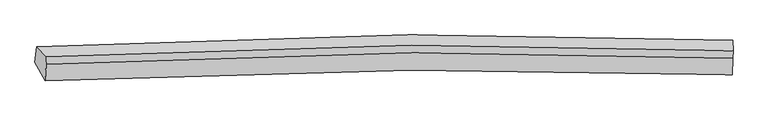
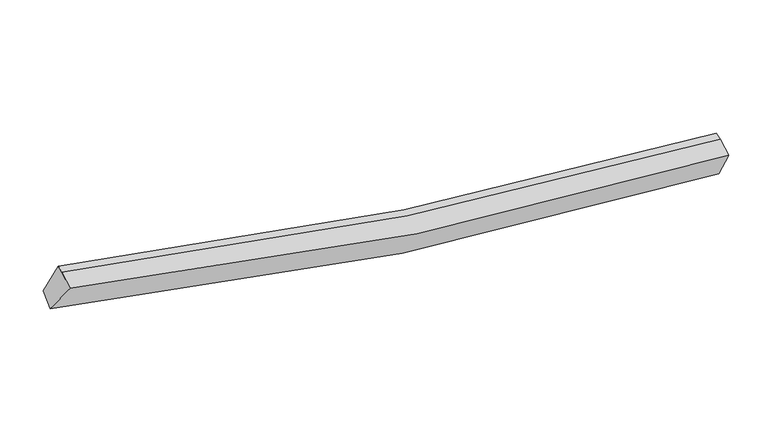
"""IFC4 building model written with IfcOpenShell, lengths in millimetres: proxy geometry."""

from ifc_helpers import new_model, si_unit, frame, origin, place, context, project, spatial, source, transform, mapped, element, save
from ifc_brep_helpers import plane_surface, spline_curve, spline_surface, advanced_brep


def generic_models_070c4dce(model_context):
    return source(origin(), model_context, "Body", "AdvancedBrep", [
        advanced_brep(
        [(-6876.0346906, -2557.5202316, 4451.7046371), (-7087.0439148, -2178.1843797, 3827.862174), (7480.7328589, -2049.1073916, 1744.2399827), (7481.0509288, -2430.9992908, 2401.3232926), (-6851.7852996, -2211.8201058, 4600.3859818), (7495.5722941, -2085.4171827, 2551.5394326), (-6845.7212845, -2059.9907292, 4650.4965407), (7501.6363092, -1933.5878061, 2601.6499915), (-7047.0019297, -1845.9037878, 4026.1946238), (7495.8350751, -1717.1293621, 1946.507192)],
        [
            (0, 1),
            (1, 2, spline_curve(3, [(-7087.0439148, -2178.1843797, 3827.862174), (-4519.912261929, -2044.517809706, 3125.271180736), (-1931.28461769, -1970.214572276, 2599.691666239), (2930.144906614, -1942.388574039, 1950.473782153), (5197.44285433, -1973.666148872, 1781.512566641), (7480.7328589, -2049.1073916, 1744.2399827)], [4, 2, 4], [0.0, 25.806990484276167, 48.06625397323585])),
            (2, 3),
            (3, 0, spline_curve(3, [(7481.0509288, -2430.9992908, 2401.3232926), (5222.616562376, -2356.70868505, 2439.07432828), (2983.72514564, -2325.866171387, 2605.916179472), (-1808.696093635, -2353.086430681, 3244.947863016), (-4355.499883398, -2426.102591147, 3761.566461281), (-6876.0346906, -2557.5202316, 4451.7046371)], [4, 2, 4], [0.0, 22.259263488959686, 48.06625397323585])),
            (4, 0),
            (3, 5),
            (5, 4, spline_curve(3, [(7495.5722941, -2085.4171827, 2551.5394326), (5240.40104977, -2000.368296659, 2605.857049054), (3003.95703332, -1963.741176446, 2781.483855362), (-1784.940786492, -1989.210322746, 3422.682117332), (-4330.949301699, -2067.971750632, 3930.00416057), (-6851.7852996, -2211.8201058, 4600.3859818)], [4, 2, 4], [0.0, 22.073775262683775, 47.66571402735467])),
            (6, 4),
            (5, 7),
            (7, 6, spline_curve(3, [(7501.6363092, -1933.5878061, 2601.6499915), (5246.46506454, -1848.538919997, 2655.96760768), (3010.021048647, -1811.911800037, 2831.594414502), (-1778.876771656, -1837.380945925, 3472.79267617), (-4324.885286323, -1916.142374158, 3980.114719441), (-6845.7212845, -2059.9907292, 4650.4965407)], [4, 2, 4], [0.0, 22.06444388613237, 47.64556402034917])),
            (8, 6),
            (7, 9),
            (9, 8, spline_curve(3, [(7495.8350751, -1717.1293621, 1946.507192), (5216.839132289, -1629.054385234, 1994.539184522), (2953.629524411, -1590.972072079, 2168.995896863), (-1899.415941472, -1616.691069176, 2818.713858612), (-4483.818668996, -1697.698190988, 3337.486290342), (-7047.0019297, -1845.9037878, 4026.1946238)], [4, 2, 4], [0.0, 22.216116826853824, 47.97308384566598])),
            (1, 8),
            (9, 2),
        ],
        [
            spline_surface(3, 3, [[(-6876.0346906, -2557.5202316, 4451.7046371), (-4355.499883127, -2426.102591293, 3761.566461045), (-1808.696093701, -2353.086430594, 3244.947863441), (2983.725145696, -2325.866171463, 2605.916179105), (5222.616562711, -2356.708685238, 2439.074328578), (7481.0509288, -2430.9992908, 2401.3232926)], [(-6946.371098683, -2431.074947652, 4243.757149395), (-4410.304009316, -2298.907664001, 3549.46803434), (-1849.558935173, -2225.46247768, 3029.862464391), (2965.865066125, -2198.04030575, 2387.435380094), (5214.225326677, -2229.027839889, 2219.887074489), (7480.94490548, -2303.701991075, 2182.295522626)], [(-7016.707506717, -2304.629663648, 4035.809661705), (-4465.108135455, -2171.712736655, 3337.36960765), (-1890.421776645, -2097.838524809, 2814.77706536), (2948.004986554, -2070.21444008, 2168.954581104), (5205.834090705, -2101.346994514, 2000.699820421), (7480.83888222, -2176.404691325, 1963.267752674)], [(-7087.0439148, -2178.1843797, 3827.862174), (-4519.912261644, -2044.517809363, 3125.271180944), (-1931.284618118, -1970.214571895, 2599.691666309), (2930.144906982, -1942.388574367, 1950.473782093), (5197.442854671, -1973.666149164, 1781.512566333), (7480.7328589, -2049.1073916, 1744.2399827)]], [4, 4], [4, 2, 4], [0.0, 2.492975177187605], [0.0, 25.806990484276167, 48.06625397323585]),
            spline_surface(3, 3, [[(-6851.7852996, -2211.8201058, 4600.3859818), (-4330.949301475, -2067.971750791, 3930.00416042), (-1784.940786637, -1989.210322943, 3422.682117327), (3003.957033445, -1963.741176277, 2781.483855366), (5240.4010498, -2000.368296408, 2605.857048704), (7495.5722941, -2085.4171827, 2551.5394326)], [(-6859.868429923, -2327.053481055, 4550.825533596), (-4339.132828682, -2187.348697614, 3873.858260658), (-1792.859222308, -2110.50235884, 3363.437366017), (2997.213070878, -2084.449508019, 2722.961296598), (5234.47288744, -2119.148425993, 2550.262808663), (7490.731839003, -2200.611218708, 2501.467385934)], [(-6867.951560277, -2442.286856345, 4501.265085304), (-4347.31635592, -2306.72564447, 3817.712360807), (-1800.777658029, -2231.794394696, 3304.192614751), (2990.469108263, -2205.15783972, 2664.438737874), (5228.54472507, -2237.928555653, 2494.668568619), (7485.891383897, -2315.805254792, 2451.395339266)], [(-6876.0346906, -2557.5202316, 4451.7046371), (-4355.499883127, -2426.102591293, 3761.566461045), (-1808.696093701, -2353.086430594, 3244.947863441), (2983.725145696, -2325.866171463, 2605.916179105), (5222.616562711, -2356.708685238, 2439.074328578), (7481.0509288, -2430.9992908, 2401.3232926)]], [4, 4], [4, 2, 4], [0.0, 1.3266065356076977], [0.0, 25.591938764670893, 47.66571402735467]),
            spline_surface(3, 3, [[(-6845.7212845, -2059.9907292, 4650.4965407), (-4324.885286375, -1916.142374191, 3980.11471932), (-1778.876771537, -1837.380946343, 3472.792676327), (3010.021048545, -1811.911799677, 2831.594414366), (5246.4650649, -1848.538919808, 2655.967607604), (7501.6363092, -1933.5878061, 2601.6499915)], [(-6847.742622864, -2110.600521408, 4633.793021062), (-4326.90662474, -1966.7521664, 3963.411199681), (-1780.898109901, -1887.990738551, 3456.089156689), (3007.99971018, -1862.521591885, 2814.890894728), (5244.443726535, -1899.148712016, 2639.264087965), (7499.614970836, -1984.197598308, 2584.946471862)], [(-6849.763961236, -2161.210313592, 4617.089501438), (-4328.927963111, -2017.361958583, 3946.707680058), (-1782.919448273, -1938.600530734, 3439.385636965), (3005.978371809, -1913.131384069, 2798.187375004), (5242.422388164, -1949.7585042, 2622.560568342), (7497.593632464, -2034.807390492, 2568.242952238)], [(-6851.7852996, -2211.8201058, 4600.3859818), (-4330.949301475, -2067.971750791, 3930.00416042), (-1784.940786637, -1989.210322943, 3422.682117327), (3003.957033445, -1963.741176277, 2781.483855366), (5240.4010498, -2000.368296408, 2605.857048704), (7495.5722941, -2085.4171827, 2551.5394326)]], [4, 4], [4, 2, 4], [0.0, 0.5249343832021001], [0.0, 25.5811201342168, 47.64556402034917]),
            spline_surface(3, 3, [[(-7047.0019297, -1845.9037878, 4026.1946238), (-4483.81866933, -1697.698190818, 3337.486290206), (-1899.415941802, -1616.691069066, 2818.713858418), (2953.629524695, -1590.972072174, 2168.99589703), (5216.839132095, -1629.054385362, 1994.539184869), (7495.8350751, -1717.1293621, 1946.507192)], [(-6979.9083813, -1917.266101599, 4234.295262752), (-4430.840875012, -1770.512918608, 3551.695766563), (-1859.236218402, -1690.254361472, 3036.740131043), (2972.42669929, -1664.618647989, 2389.862069464), (5226.714443048, -1702.215896853, 2215.015325769), (7497.768819818, -1789.282176776, 2164.888125155)], [(-6912.8148329, -1988.628415401, 4442.395901748), (-4377.863080694, -1843.327646401, 3765.905242963), (-1819.056494937, -1763.817653936, 3254.766403703), (2991.22387395, -1738.265223862, 2610.728241933), (5236.589753947, -1775.377408317, 2435.491466704), (7499.702564482, -1861.434991424, 2383.269058345)], [(-6845.7212845, -2059.9907292, 4650.4965407), (-4324.885286375, -1916.142374191, 3980.11471932), (-1778.876771537, -1837.380946343, 3472.792676327), (3010.021048545, -1811.911799677, 2831.594414366), (5246.4650649, -1848.538919808, 2655.967607604), (7501.6363092, -1933.5878061, 2601.6499915)]], [4, 4], [4, 2, 4], [0.0, 2.296326723916246], [0.0, 25.75696701881216, 47.97308384566598]),
            spline_surface(3, 3, [[(-7087.0439148, -2178.1843797, 3827.862174), (-4519.912261644, -2044.517809363, 3125.271180944), (-1931.284618118, -1970.214571895, 2599.691666309), (2930.144906982, -1942.388574367, 1950.473782093), (5197.442854671, -1973.666149164, 1781.512566333), (7480.7328589, -2049.1073916, 1744.2399827)], [(-7073.696586429, -2067.424182386, 3893.972990595), (-4507.881064202, -1928.911269834, 3196.009550693), (-1920.66172601, -1852.373404297, 2672.699063684), (2937.973112889, -1825.249740315, 2023.314487077), (5203.908280476, -1858.79556123, 1852.5214392), (7485.766930964, -1938.448048433, 1811.662385822)], [(-7060.349258071, -1956.663985114, 3960.083807205), (-4495.849866772, -1813.304730347, 3266.747920457), (-1910.03883391, -1734.532236664, 2745.706461044), (2945.801318788, -1708.110906227, 2096.155192046), (5210.37370629, -1743.924973297, 1923.530312001), (7490.801003036, -1827.788705267, 1879.084788878)], [(-7047.0019297, -1845.9037878, 4026.1946238), (-4483.81866933, -1697.698190818, 3337.486290206), (-1899.415941802, -1616.691069066, 2818.713858418), (2953.629524695, -1590.972072174, 2168.99589703), (5216.839132095, -1629.054385362, 1994.539184869), (7495.8350751, -1717.1293621, 1946.507192)]], [4, 4], [4, 2, 4], [0.0, 1.3642156304274733], [0.0, 25.97171812701289, 48.37306389425396]),
            plane_surface(frame((7490.9654932, -2043.2482067, 2249.0519783), z_axis=(0.9992461635412336, -0.03335228929540724, -0.01986779924606407), x_axis=(-0.037900094331345176, -0.9489336039031496, -0.3131909932182848))),
            plane_surface(frame((-6941.5174239, -2170.6838468, 4311.3287915), z_axis=(-0.9557553184024384, -0.05706983137075526, 0.28857374394211144), x_axis=(0.2776437161186337, -0.4991261208487144, 0.8208453462049659))),
        ],
        [
            (0, [[1, 2, 3, 4]]),
            (1, [[5, -4, 6, 7]]),
            (2, [[8, -7, 9, 10]]),
            (3, [[11, -10, 12, 13]]),
            (4, [[14, -13, 15, -2]]),
            (5, [[-9, -6, -3, -15, -12]]),
            (6, [[-1, -5, -8, -11, -14]]),
        ],
    ),
    ])


if __name__ == "__main__":
    model = new_model("IFC4")
    model_context = context("Model", 3, world=origin())
    ifc_project = project(units=[si_unit("LENGTHUNIT", "METRE", prefix="MILLI")], contexts=[model_context])
    site = spatial("IfcSite", under=ifc_project)
    building = spatial("IfcBuilding", under=site)
    placement = place(None, origin())
    generic_models_shape = generic_models_070c4dce(model_context)
    element("IfcBuildingElementProxy", 1, Name="Generic Models", at=placement, inside=building, context=model_context, shape_type="MappedRepresentation", body=[
        mapped(generic_models_shape, transform((0.0, 0.0, 0.0), x_axis=(1.0, 0.0, 0.0), y_axis=(0.0, 1.0, 0.0), z_axis=(0.0, 0.0, 1.0))),
    ])
    save(model, "model.ifc")
